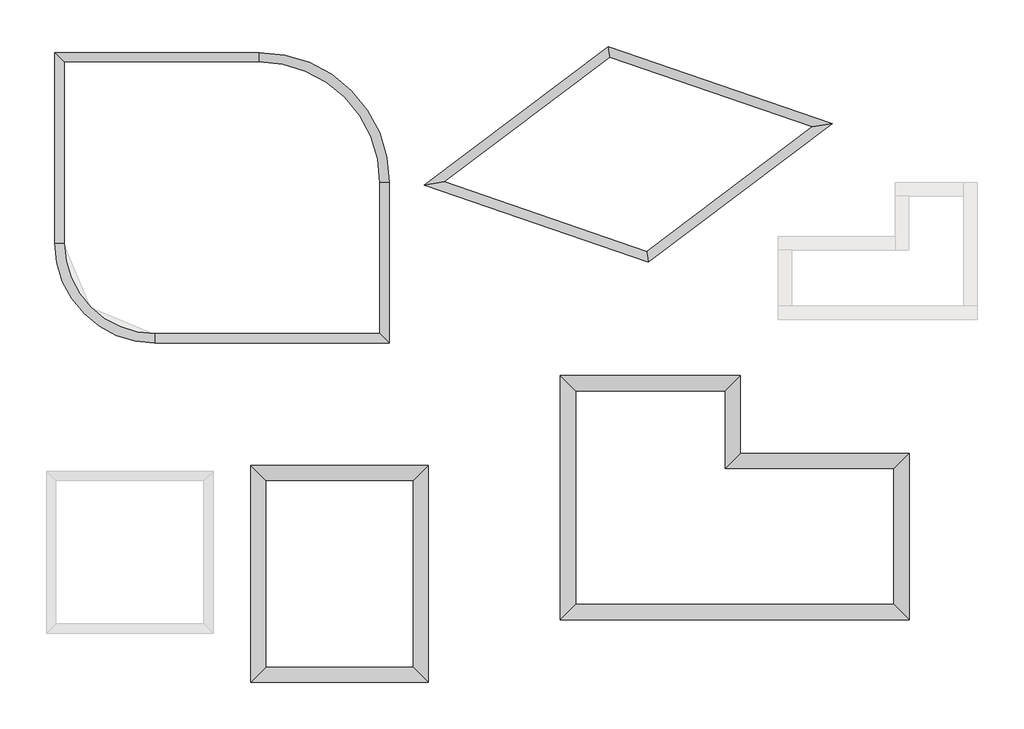
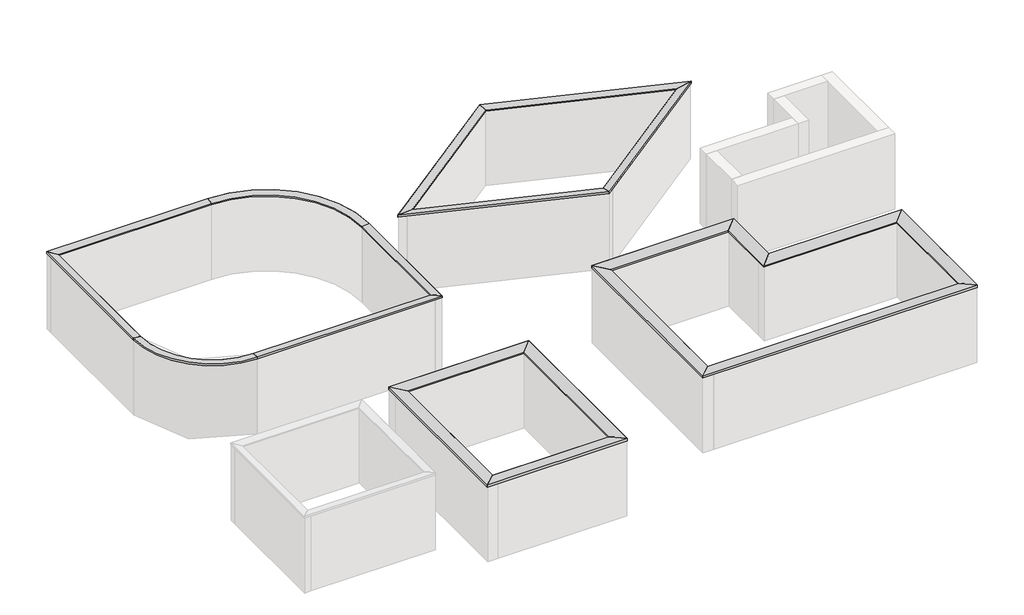
# Not in any storey, part 2 of 2: 4 proxies.
"""IFC4 building model written with IfcOpenShell, lengths in millimetres."""

from ifc_helpers import new_model, si_unit, frame, origin, place, context, project, spatial, polyline, circle_curve, faceted_brep, element, save
from ifc_brep_helpers import plane_surface, cylinder_surface, revolved_surface, advanced_brep

model = new_model("IFC4")

# Units and contexts
model_context = context("Model", 3, world=origin())
ifc_project = project(units=[si_unit("LENGTHUNIT", "METRE", prefix="MILLI")], contexts=[model_context])

# Site, building
site = spatial("IfcSite", under=ifc_project)
building = spatial("IfcBuilding", under=site)

# Proxies
placement = place(None, origin())
element("IfcBuildingElementProxy", 1, Name="attika_250", ObjectType="attika_250", at=placement, inside=building, context=model_context, shape_type="Brep", body=[
    faceted_brep([(25465.0491179, 19509.521081, 3030.1815044), (25465.0491179, 19509.521081, 2988.5646791), (25475.5682677, 19511.1871507, 2988.5646791), (25475.5682677, 19511.1871507, 3025.7387553), (26043.6023577, 19601.1549121, 3057.7174811), (26043.6023577, 19601.1549121, 2986.1848766), (26054.0924414, 19602.8163781, 2986.1848766), (26054.0924414, 19602.8163781, 3063.3429912), (19470.7553078, 21573.521962, 3030.1815044), (19421.1493184, 21886.7218528, 3063.3429912), (19421.1493184, 21886.7218528, 2986.1848766), (19422.0327356, 21881.1441763, 2986.1848766), (19422.0327356, 21881.1441763, 3057.7174811), (19469.8694429, 21579.1150931, 3025.7387553), (19469.8694429, 21579.1150931, 2988.5646791), (19470.7553078, 21573.521962, 2988.5646791)], [[[0, 1, 2, 3, 4, 5, 6, 7]], [[8, 9, 10, 11, 12, 13, 14, 15]], [[1, 0, 8, 15]], [[2, 1, 15, 14]], [[3, 2, 14, 13]], [[4, 3, 13, 12]], [[5, 4, 12, 11]], [[6, 5, 11, 10]], [[7, 6, 10, 9]], [[0, 7, 9, 8]]]),
    faceted_brep([(19470.7553078, 21573.521962, 3030.1815044), (19470.7553078, 21573.521962, 2988.5646791), (19469.8694429, 21579.1150931, 2988.5646791), (19469.8694429, 21579.1150931, 3025.7387553), (19422.0327356, 21881.1441763, 3057.7174811), (19422.0327356, 21881.1441763, 2986.1848766), (19421.1493184, 21886.7218528, 2986.1848766), (19421.1493184, 21886.7218528, 3063.3429912), (14567.3815699, 17878.5648226, 3030.1815044), (13978.3382463, 17785.2695254, 3063.3429912), (13978.3382463, 17785.2695254, 2986.1848766), (13988.82833, 17786.9309915, 2986.1848766), (13988.82833, 17786.9309915, 3057.7174811), (14556.8624201, 17876.8987529, 3025.7387553), (14556.8624201, 17876.8987529, 2988.5646791), (14567.3815699, 17878.5648226, 2988.5646791)], [[[0, 1, 2, 3, 4, 5, 6, 7]], [[8, 9, 10, 11, 12, 13, 14, 15]], [[1, 0, 8, 15]], [[2, 1, 15, 14]], [[3, 2, 14, 13]], [[4, 3, 13, 12]], [[5, 4, 12, 11]], [[6, 5, 11, 10]], [[7, 6, 10, 9]], [[0, 7, 9, 8]]]),
    faceted_brep([(14567.3815699, 17878.5648226, 3030.1815044), (14567.3815699, 17878.5648226, 2988.5646791), (14556.8624201, 17876.8987529, 2988.5646791), (14556.8624201, 17876.8987529, 3025.7387553), (13988.82833, 17786.9309915, 3057.7174811), (13988.82833, 17786.9309915, 2986.1848766), (13978.3382463, 17785.2695254, 2986.1848766), (13978.3382463, 17785.2695254, 3063.3429912), (20561.6753799, 15814.5639416, 3030.1815044), (20611.2813693, 15501.3640508, 3063.3429912), (20611.2813693, 15501.3640508, 2986.1848766), (20610.3979521, 15506.9417273, 2986.1848766), (20610.3979521, 15506.9417273, 3057.7174811), (20562.5612448, 15808.9708104, 3025.7387553), (20562.5612448, 15808.9708104, 2988.5646791), (20561.6753799, 15814.5639416, 2988.5646791)], [[[0, 1, 2, 3, 4, 5, 6, 7]], [[8, 9, 10, 11, 12, 13, 14, 15]], [[1, 0, 8, 15]], [[2, 1, 15, 14]], [[3, 2, 14, 13]], [[4, 3, 13, 12]], [[5, 4, 12, 11]], [[6, 5, 11, 10]], [[7, 6, 10, 9]], [[0, 7, 9, 8]]]),
    faceted_brep([(20561.6753799, 15814.5639416, 3030.1815044), (20561.6753799, 15814.5639416, 2988.5646791), (20562.5612448, 15808.9708104, 2988.5646791), (20562.5612448, 15808.9708104, 3025.7387553), (20610.3979521, 15506.9417273, 3057.7174811), (20610.3979521, 15506.9417273, 2986.1848766), (20611.2813693, 15501.3640508, 2986.1848766), (20611.2813693, 15501.3640508, 3063.3429912), (25465.0491179, 19509.521081, 3030.1815044), (26054.0924414, 19602.8163781, 3063.3429912), (26054.0924414, 19602.8163781, 2986.1848766), (26043.6023577, 19601.1549121, 2986.1848766), (26043.6023577, 19601.1549121, 3057.7174811), (25475.5682677, 19511.1871507, 3025.7387553), (25475.5682677, 19511.1871507, 2988.5646791), (25465.0491179, 19509.521081, 2988.5646791)], [[[0, 1, 2, 3, 4, 5, 6, 7]], [[8, 9, 10, 11, 12, 13, 14, 15]], [[1, 0, 8, 15]], [[2, 1, 15, 14]], [[3, 2, 14, 13]], [[4, 3, 13, 12]], [[5, 4, 12, 11]], [[6, 5, 11, 10]], [[7, 6, 10, 9]], [[0, 7, 9, 8]]]),
])
element("IfcBuildingElementProxy", 2, Name="attika_250", ObjectType="attika_250", at=placement, inside=building, context=model_context, shape_type="SolidModel", body=[
    faceted_brep([(12659.5461847, 13379.710362, 3030.1815044), (12659.5461847, 13379.710362, 2988.5646791), (12664.5461847, 13374.710362, 2988.5646791), (12664.5461847, 13374.710362, 3025.7387553), (12934.5461847, 13104.710362, 3057.7174811), (12934.5461847, 13104.710362, 2986.1848766), (12939.5323689, 13099.7241778, 2986.1848766), (12939.5323689, 13099.7241778, 3063.3429912), (12659.5461847, 17854.710362, 3030.1815044), (12939.5323689, 17854.710362, 3063.3429912), (12939.5323689, 17854.710362, 2986.1848766), (12934.5461847, 17854.710362, 2986.1848766), (12934.5461847, 17854.710362, 3057.7174811), (12664.5461847, 17854.710362, 3025.7387553), (12664.5461847, 17854.710362, 2988.5646791), (12659.5461847, 17854.710362, 2988.5646791)], [[[0, 1, 2, 3, 4, 5, 6, 7]], [[8, 9, 10, 11, 12, 13, 14, 15]], [[1, 0, 8, 15]], [[2, 1, 15, 14]], [[3, 2, 14, 13]], [[4, 3, 13, 12]], [[5, 4, 12, 11]], [[6, 5, 11, 10]], [[7, 6, 10, 9]], [[0, 7, 9, 8]]]),
    advanced_brep(
    [(12939.5323689, 17854.710362, 3063.3429912), (9084.5461847, 21709.6965462, 3063.3429912), (9084.5461847, 21429.710362, 3030.1815044), (12659.5461847, 17854.710362, 3030.1815044), (12939.5323689, 17854.710362, 2986.1848766), (9084.5461847, 21709.6965462, 2986.1848766), (12934.5461847, 17854.710362, 2986.1848766), (9084.5461847, 21704.710362, 2986.1848766), (12934.5461847, 17854.710362, 3057.7174811), (9084.5461847, 21704.710362, 3057.7174811), (12664.5461847, 17854.710362, 3025.7387553), (9084.5461847, 21434.710362, 3025.7387553), (12664.5461847, 17854.710362, 2988.5646791), (9084.5461847, 21434.710362, 2988.5646791), (12659.5461847, 17854.710362, 2988.5646791), (9084.5461847, 21429.710362, 2988.5646791)],
    [
        (0, 1, circle_curve(frame((9084.5461847, 17854.710362, 3063.3429912), z_axis=(0.0, 0.0, 1.0), x_axis=(0.0, 1.0, 0.0)), 3854.9861842)),
        (1, 2),
        (2, 3, circle_curve(frame((9084.5461847, 17854.710362, 3030.1815044), z_axis=(0.0, 0.0, -1.0), x_axis=(0.0, 1.0, 0.0)), 3575.0)),
        (3, 0),
        (4, 5, circle_curve(frame((9084.5461847, 17854.710362, 2986.1848766), z_axis=(0.0, 0.0, 1.0), x_axis=(0.0, 1.0, 0.0)), 3854.9861842)),
        (5, 1),
        (0, 4),
        (6, 7, circle_curve(frame((9084.5461847, 17854.710362, 2986.1848766), z_axis=(0.0, 0.0, 1.0), x_axis=(0.0, 1.0, 0.0)), 3850.0)),
        (7, 5),
        (4, 6),
        (8, 9, circle_curve(frame((9084.5461847, 17854.710362, 3057.7174811), z_axis=(0.0, 0.0, 1.0), x_axis=(0.0, 1.0, 0.0)), 3850.0)),
        (9, 7),
        (6, 8),
        (10, 11, circle_curve(frame((9084.5461847, 17854.710362, 3025.7387553), z_axis=(0.0, 0.0, 1.0), x_axis=(0.0, 1.0, 0.0)), 3580.0)),
        (11, 9),
        (8, 10),
        (12, 13, circle_curve(frame((9084.5461847, 17854.710362, 2988.5646791), z_axis=(0.0, 0.0, 1.0), x_axis=(0.0, 1.0, 0.0)), 3580.0)),
        (13, 11),
        (10, 12),
        (14, 15, circle_curve(frame((9084.5461847, 17854.710362, 2988.5646791), z_axis=(0.0, 0.0, 1.0), x_axis=(0.0, 1.0, 0.0)), 3575.0)),
        (15, 13),
        (12, 14),
        (2, 15),
        (14, 3),
    ],
    [
        revolved_surface(polyline([(9084.5461847, 21429.710362, 3030.1815044), (9084.5461847, 21709.6965462, 3063.3429912)]), (9084.5461847, 17854.710362, 3000.0), (0.0, 0.0, -1.0)),
        cylinder_surface(frame((9084.5461847, 17854.710362, 3000.0), z_axis=(0.0, 0.0, -1.0), x_axis=(0.0, 1.0, 0.0)), 3854.9861842),
        plane_surface(frame((9084.5461847, 17854.710362, 2986.1848766), z_axis=(0.0, 0.0, -1.0), x_axis=(0.0, 1.0, 0.0))),
        revolved_surface(polyline([(9084.5461847, 21704.710362, 2986.1848766), (9084.5461847, 21704.710362, 3057.7174811)]), (9084.5461847, 17854.710362, 3000.0), (0.0, 0.0, -1.0)),
        revolved_surface(polyline([(9084.5461847, 21704.710362, 3057.7174811), (9084.5461847, 21434.710362, 3025.7387553)]), (9084.5461847, 17854.710362, 3000.0), (0.0, 0.0, -1.0)),
        cylinder_surface(frame((9084.5461847, 17854.710362, 3000.0), z_axis=(0.0, 0.0, -1.0), x_axis=(0.0, 1.0, 0.0)), 3580.0),
        plane_surface(frame((9084.5461847, 17854.710362, 2988.5646791), z_axis=(0.0, 0.0, -1.0), x_axis=(0.0, 1.0, 0.0))),
        revolved_surface(polyline([(9084.5461847, 21429.710362, 2988.5646791), (9084.5461847, 21429.710362, 3030.1815044)]), (9084.5461847, 17854.710362, 3000.0), (0.0, 0.0, -1.0)),
        plane_surface(frame((12924.5461847, 17854.710362, 2695.2), z_axis=(0.0, -1.0, 0.0), x_axis=(1.0, 0.0, 0.0))),
        plane_surface(frame((9084.5461847, 21999.510362, 3000.0), z_axis=(-1.0, 0.0, 0.0), x_axis=(0.0, 0.0, 1.0))),
    ],
    [
        (0, [[1, 2, 3, 4]]),
        (1, [[5, 6, -1, 7]]),
        (2, [[8, 9, -5, 10]]),
        (3, [[11, 12, -8, 13]]),
        (4, [[14, 15, -11, 16]]),
        (5, [[17, 18, -14, 19]]),
        (6, [[20, 21, -17, 22]]),
        (7, [[-3, 23, -20, 24]]),
        (8, [[-24, -22, -19, -16, -13, -10, -7, -4]]),
        (9, [[-2, -6, -9, -12, -15, -18, -21, -23]]),
    ],
),
    faceted_brep([(3309.5461847, 21429.710362, 3030.1815044), (3029.5600005, 21709.6965462, 3063.3429912), (3029.5600005, 21709.6965462, 2986.1848766), (3034.5461847, 21704.710362, 2986.1848766), (3034.5461847, 21704.710362, 3057.7174811), (3304.5461847, 21434.710362, 3025.7387553), (3304.5461847, 21434.710362, 2988.5646791), (3309.5461847, 21429.710362, 2988.5646791), (9084.5461847, 21429.710362, 3030.1815044), (9084.5461847, 21429.710362, 2988.5646791), (9084.5461847, 21434.710362, 2988.5646791), (9084.5461847, 21434.710362, 3025.7387553), (9084.5461847, 21704.710362, 3057.7174811), (9084.5461847, 21704.710362, 2986.1848766), (9084.5461847, 21709.6965462, 2986.1848766), (9084.5461847, 21709.6965462, 3063.3429912)], [[[0, 1, 2, 3, 4, 5, 6, 7]], [[8, 9, 10, 11, 12, 13, 14, 15]], [[1, 0, 8, 15]], [[2, 1, 15, 14]], [[3, 2, 14, 13]], [[4, 3, 13, 12]], [[5, 4, 12, 11]], [[6, 5, 11, 10]], [[7, 6, 10, 9]], [[0, 7, 9, 8]]]),
    faceted_brep([(3309.5461847, 16054.710362, 3030.1815044), (3029.5600005, 16054.710362, 3063.3429912), (3029.5600005, 16054.710362, 2986.1848766), (3034.5461847, 16054.710362, 2986.1848766), (3034.5461847, 16054.710362, 3057.7174811), (3304.5461847, 16054.710362, 3025.7387553), (3304.5461847, 16054.710362, 2988.5646791), (3309.5461847, 16054.710362, 2988.5646791), (3309.5461847, 21429.710362, 3030.1815044), (3309.5461847, 21429.710362, 2988.5646791), (3304.5461847, 21434.710362, 2988.5646791), (3304.5461847, 21434.710362, 3025.7387553), (3034.5461847, 21704.710362, 3057.7174811), (3034.5461847, 21704.710362, 2986.1848766), (3029.5600005, 21709.6965462, 2986.1848766), (3029.5600005, 21709.6965462, 3063.3429912)], [[[0, 1, 2, 3, 4, 5, 6, 7]], [[8, 9, 10, 11, 12, 13, 14, 15]], [[1, 0, 8, 15]], [[2, 1, 15, 14]], [[3, 2, 14, 13]], [[4, 3, 13, 12]], [[5, 4, 12, 11]], [[6, 5, 11, 10]], [[7, 6, 10, 9]], [[0, 7, 9, 8]]]),
    advanced_brep(
    [(5984.5461847, 13379.710362, 2988.5646791), (3309.5461847, 16054.710362, 2988.5646791), (3309.5461847, 16054.710362, 3030.1815044), (5984.5461847, 13379.710362, 3030.1815044), (5984.5461847, 13374.710362, 2988.5646791), (3304.5461847, 16054.710362, 2988.5646791), (5984.5461847, 13374.710362, 3025.7387553), (3304.5461847, 16054.710362, 3025.7387553), (5984.5461847, 13104.710362, 3057.7174811), (3034.5461847, 16054.710362, 3057.7174811), (5984.5461847, 13104.710362, 2986.1848766), (3034.5461847, 16054.710362, 2986.1848766), (5984.5461847, 13099.7241778, 2986.1848766), (3029.5600005, 16054.710362, 2986.1848766), (5984.5461847, 13099.7241778, 3063.3429912), (3029.5600005, 16054.710362, 3063.3429912)],
    [
        (0, 1, circle_curve(frame((5984.5461847, 16054.710362, 2988.5646791), z_axis=(0.0, 0.0, -1.0), x_axis=(-1.0, 0.0, 0.0)), 2675.0)),
        (1, 2),
        (2, 3, circle_curve(frame((5984.5461847, 16054.710362, 3030.1815044), z_axis=(0.0, 0.0, 1.0), x_axis=(-1.0, 0.0, 0.0)), 2675.0)),
        (3, 0),
        (4, 5, circle_curve(frame((5984.5461847, 16054.710362, 2988.5646791), z_axis=(0.0, 0.0, -1.0), x_axis=(-1.0, 0.0, 0.0)), 2680.0)),
        (5, 1),
        (0, 4),
        (6, 7, circle_curve(frame((5984.5461847, 16054.710362, 3025.7387553), z_axis=(0.0, 0.0, -1.0), x_axis=(-1.0, 0.0, 0.0)), 2680.0)),
        (7, 5),
        (4, 6),
        (8, 9, circle_curve(frame((5984.5461847, 16054.710362, 3057.7174811), z_axis=(0.0, 0.0, -1.0), x_axis=(-1.0, 0.0, 0.0)), 2950.0)),
        (9, 7),
        (6, 8),
        (10, 11, circle_curve(frame((5984.5461847, 16054.710362, 2986.1848766), z_axis=(0.0, 0.0, -1.0), x_axis=(-1.0, 0.0, 0.0)), 2950.0)),
        (11, 9),
        (8, 10),
        (12, 13, circle_curve(frame((5984.5461847, 16054.710362, 2986.1848766), z_axis=(0.0, 0.0, -1.0), x_axis=(-1.0, 0.0, 0.0)), 2954.9861842)),
        (13, 11),
        (10, 12),
        (14, 15, circle_curve(frame((5984.5461847, 16054.710362, 3063.3429912), z_axis=(0.0, 0.0, -1.0), x_axis=(-1.0, 0.0, 0.0)), 2954.9861842)),
        (15, 13),
        (12, 14),
        (2, 15),
        (14, 3),
    ],
    [
        revolved_surface(polyline([(3309.5461846999997, 16054.710362, 3030.1815044), (3309.5461846999997, 16054.710362, 2988.5646791)]), (5984.5461847, 16054.710362, 3000.0), (0.0, 0.0, 1.0)),
        plane_surface(frame((5984.5461847, 16054.710362, 2988.5646791), z_axis=(0.0, 0.0, -1.0), x_axis=(-1.0, 0.0, 0.0))),
        cylinder_surface(frame((5984.5461847, 16054.710362, 3000.0), z_axis=(0.0, 0.0, 1.0), x_axis=(-1.0, 0.0, 0.0)), 2680.0),
        revolved_surface(polyline([(3304.5461847, 16054.710362, 3025.7387553), (3034.5461847, 16054.710362, 3057.7174811)]), (5984.5461847, 16054.710362, 3000.0), (0.0, 0.0, 1.0)),
        revolved_surface(polyline([(3034.5461846999997, 16054.710362, 3057.7174811), (3034.5461846999997, 16054.710362, 2986.1848766)]), (5984.5461847, 16054.710362, 3000.0), (0.0, 0.0, 1.0)),
        plane_surface(frame((5984.5461847, 16054.710362, 2986.1848766), z_axis=(0.0, 0.0, -1.0), x_axis=(-1.0, 0.0, 0.0))),
        cylinder_surface(frame((5984.5461847, 16054.710362, 3000.0), z_axis=(0.0, 0.0, 1.0), x_axis=(-1.0, 0.0, 0.0)), 2954.9861842),
        revolved_surface(polyline([(3029.5600005, 16054.710362, 3063.3429912), (3309.5461847, 16054.710362, 3030.1815044)]), (5984.5461847, 16054.710362, 3000.0), (0.0, 0.0, 1.0)),
        plane_surface(frame((3044.5461847, 16054.710362, 2695.2), z_axis=(0.0, 1.0, 0.0), x_axis=(1.0, 0.0, 0.0))),
        plane_surface(frame((5984.5461847, 13419.510362, 3000.0), z_axis=(1.0, 0.0, 0.0), x_axis=(0.0, 0.0, 1.0))),
    ],
    [
        (0, [[1, 2, 3, 4]]),
        (1, [[5, 6, -1, 7]]),
        (2, [[8, 9, -5, 10]]),
        (3, [[11, 12, -8, 13]]),
        (4, [[14, 15, -11, 16]]),
        (5, [[17, 18, -14, 19]]),
        (6, [[20, 21, -17, 22]]),
        (7, [[-3, 23, -20, 24]]),
        (8, [[-2, -6, -9, -12, -15, -18, -21, -23]]),
        (9, [[-24, -22, -19, -16, -13, -10, -7, -4]]),
    ],
),
    faceted_brep([(5984.5461847, 13379.710362, 3030.1815044), (5984.5461847, 13379.710362, 2988.5646791), (5984.5461847, 13374.710362, 2988.5646791), (5984.5461847, 13374.710362, 3025.7387553), (5984.5461847, 13104.710362, 3057.7174811), (5984.5461847, 13104.710362, 2986.1848766), (5984.5461847, 13099.7241778, 2986.1848766), (5984.5461847, 13099.7241778, 3063.3429912), (12659.5461847, 13379.710362, 3030.1815044), (12939.5323689, 13099.7241778, 3063.3429912), (12939.5323689, 13099.7241778, 2986.1848766), (12934.5461847, 13104.710362, 2986.1848766), (12934.5461847, 13104.710362, 3057.7174811), (12664.5461847, 13374.710362, 3025.7387553), (12664.5461847, 13374.710362, 2988.5646791), (12659.5461847, 13379.710362, 2988.5646791)], [[[0, 1, 2, 3, 4, 5, 6, 7]], [[8, 9, 10, 11, 12, 13, 14, 15]], [[1, 0, 8, 15]], [[2, 1, 15, 14]], [[3, 2, 14, 13]], [[4, 3, 13, 12]], [[5, 4, 12, 11]], [[6, 5, 11, 10]], [[7, 6, 10, 9]], [[0, 7, 9, 8]]]),
])
element("IfcBuildingElementProxy", 3, Name="attika_420", ObjectType="attika_420", at=placement, inside=building, context=model_context, shape_type="Brep", body=[
    faceted_brep([(18452.4848915, 5349.891992, 3030.1815044), (18452.4848915, 5349.891992, 2988.5646791), (18447.4848915, 5344.891992, 2988.5646791), (18447.4848915, 5344.891992, 3025.7387553), (18007.4848915, 4904.891992, 3077.8522344), (18007.4848915, 4904.891992, 2986.1848766), (18002.4987073, 4899.9058078, 2986.1848766), (18002.4987073, 4899.9058078, 3083.4777445), (27882.4848915, 5349.891992, 3030.1815044), (28332.4710757, 4899.9058078, 3083.4777445), (28332.4710757, 4899.9058078, 2986.1848766), (28327.4848915, 4904.891992, 2986.1848766), (28327.4848915, 4904.891992, 3077.8522344), (27887.4848915, 5344.891992, 3025.7387553), (27887.4848915, 5344.891992, 2988.5646791), (27882.4848915, 5349.891992, 2988.5646791)], [[[0, 1, 2, 3, 4, 5, 6, 7]], [[8, 9, 10, 11, 12, 13, 14, 15]], [[1, 0, 8, 15]], [[2, 1, 15, 14]], [[3, 2, 14, 13]], [[4, 3, 13, 12]], [[5, 4, 12, 11]], [[6, 5, 11, 10]], [[7, 6, 10, 9]], [[0, 7, 9, 8]]]),
    faceted_brep([(27882.4848915, 5349.891992, 3030.1815044), (27882.4848915, 5349.891992, 2988.5646791), (27887.4848915, 5344.891992, 2988.5646791), (27887.4848915, 5344.891992, 3025.7387553), (28327.4848915, 4904.891992, 3077.8522344), (28327.4848915, 4904.891992, 2986.1848766), (28332.4710757, 4899.9058078, 2986.1848766), (28332.4710757, 4899.9058078, 3083.4777445), (27882.4848915, 9379.891992, 3030.1815044), (28332.4710757, 9829.8781762, 3083.4777445), (28332.4710757, 9829.8781762, 2986.1848766), (28327.4848915, 9824.891992, 2986.1848766), (28327.4848915, 9824.891992, 3077.8522344), (27887.4848915, 9384.891992, 3025.7387553), (27887.4848915, 9384.891992, 2988.5646791), (27882.4848915, 9379.891992, 2988.5646791)], [[[0, 1, 2, 3, 4, 5, 6, 7]], [[8, 9, 10, 11, 12, 13, 14, 15]], [[1, 0, 8, 15]], [[2, 1, 15, 14]], [[3, 2, 14, 13]], [[4, 3, 13, 12]], [[5, 4, 12, 11]], [[6, 5, 11, 10]], [[7, 6, 10, 9]], [[0, 7, 9, 8]]]),
    faceted_brep([(27882.4848915, 9379.891992, 3030.1815044), (27882.4848915, 9379.891992, 2988.5646791), (27887.4848915, 9384.891992, 2988.5646791), (27887.4848915, 9384.891992, 3025.7387553), (28327.4848915, 9824.891992, 3077.8522344), (28327.4848915, 9824.891992, 2986.1848766), (28332.4710757, 9829.8781762, 2986.1848766), (28332.4710757, 9829.8781762, 3083.4777445), (22882.4848915, 9379.891992, 3030.1815044), (23332.4710757, 9829.8781762, 3083.4777445), (23332.4710757, 9829.8781762, 2986.1848766), (23327.4848915, 9824.891992, 2986.1848766), (23327.4848915, 9824.891992, 3077.8522344), (22887.4848915, 9384.891992, 3025.7387553), (22887.4848915, 9384.891992, 2988.5646791), (22882.4848915, 9379.891992, 2988.5646791)], [[[0, 1, 2, 3, 4, 5, 6, 7]], [[8, 9, 10, 11, 12, 13, 14, 15]], [[1, 0, 8, 15]], [[2, 1, 15, 14]], [[3, 2, 14, 13]], [[4, 3, 13, 12]], [[5, 4, 12, 11]], [[6, 5, 11, 10]], [[7, 6, 10, 9]], [[0, 7, 9, 8]]]),
    faceted_brep([(22882.4848915, 9379.891992, 3030.1815044), (22882.4848915, 9379.891992, 2988.5646791), (22887.4848915, 9384.891992, 2988.5646791), (22887.4848915, 9384.891992, 3025.7387553), (23327.4848915, 9824.891992, 3077.8522344), (23327.4848915, 9824.891992, 2986.1848766), (23332.4710757, 9829.8781762, 2986.1848766), (23332.4710757, 9829.8781762, 3083.4777445), (22882.4848915, 11679.891992, 3030.1815044), (23332.4710757, 12129.8781762, 3083.4777445), (23332.4710757, 12129.8781762, 2986.1848766), (23327.4848915, 12124.891992, 2986.1848766), (23327.4848915, 12124.891992, 3077.8522344), (22887.4848915, 11684.891992, 3025.7387553), (22887.4848915, 11684.891992, 2988.5646791), (22882.4848915, 11679.891992, 2988.5646791)], [[[0, 1, 2, 3, 4, 5, 6, 7]], [[8, 9, 10, 11, 12, 13, 14, 15]], [[1, 0, 8, 15]], [[2, 1, 15, 14]], [[3, 2, 14, 13]], [[4, 3, 13, 12]], [[5, 4, 12, 11]], [[6, 5, 11, 10]], [[7, 6, 10, 9]], [[0, 7, 9, 8]]]),
    faceted_brep([(22882.4848915, 11679.891992, 3030.1815044), (22882.4848915, 11679.891992, 2988.5646791), (22887.4848915, 11684.891992, 2988.5646791), (22887.4848915, 11684.891992, 3025.7387553), (23327.4848915, 12124.891992, 3077.8522344), (23327.4848915, 12124.891992, 2986.1848766), (23332.4710757, 12129.8781762, 2986.1848766), (23332.4710757, 12129.8781762, 3083.4777445), (18452.4848915, 11679.891992, 3030.1815044), (18002.4987073, 12129.8781762, 3083.4777445), (18002.4987073, 12129.8781762, 2986.1848766), (18007.4848915, 12124.891992, 2986.1848766), (18007.4848915, 12124.891992, 3077.8522344), (18447.4848915, 11684.891992, 3025.7387553), (18447.4848915, 11684.891992, 2988.5646791), (18452.4848915, 11679.891992, 2988.5646791)], [[[0, 1, 2, 3, 4, 5, 6, 7]], [[8, 9, 10, 11, 12, 13, 14, 15]], [[1, 0, 8, 15]], [[2, 1, 15, 14]], [[3, 2, 14, 13]], [[4, 3, 13, 12]], [[5, 4, 12, 11]], [[6, 5, 11, 10]], [[7, 6, 10, 9]], [[0, 7, 9, 8]]]),
    faceted_brep([(18452.4848915, 11679.891992, 3030.1815044), (18452.4848915, 11679.891992, 2988.5646791), (18447.4848915, 11684.891992, 2988.5646791), (18447.4848915, 11684.891992, 3025.7387553), (18007.4848915, 12124.891992, 3077.8522344), (18007.4848915, 12124.891992, 2986.1848766), (18002.4987073, 12129.8781762, 2986.1848766), (18002.4987073, 12129.8781762, 3083.4777445), (18452.4848915, 5349.891992, 3030.1815044), (18002.4987073, 4899.9058078, 3083.4777445), (18002.4987073, 4899.9058078, 2986.1848766), (18007.4848915, 4904.891992, 2986.1848766), (18007.4848915, 4904.891992, 3077.8522344), (18447.4848915, 5344.891992, 3025.7387553), (18447.4848915, 5344.891992, 2988.5646791), (18452.4848915, 5349.891992, 2988.5646791)], [[[0, 1, 2, 3, 4, 5, 6, 7]], [[8, 9, 10, 11, 12, 13, 14, 15]], [[1, 0, 8, 15]], [[2, 1, 15, 14]], [[3, 2, 14, 13]], [[4, 3, 13, 12]], [[5, 4, 12, 11]], [[6, 5, 11, 10]], [[7, 6, 10, 9]], [[0, 7, 9, 8]]]),
])
element("IfcBuildingElementProxy", 4, Name="attika_420", ObjectType="attika_420", at=placement, inside=building, context=model_context, shape_type="Brep", body=[
    faceted_brep([(9283.0258303, 9020.0343755, 3030.1815044), (8833.0396461, 9470.0205597, 3083.4777445), (8833.0396461, 9470.0205597, 2986.1848766), (8838.0258303, 9465.0343755, 2986.1848766), (8838.0258303, 9465.0343755, 3077.8522344), (9278.0258303, 9025.0343755, 3025.7387553), (9278.0258303, 9025.0343755, 2988.5646791), (9283.0258303, 9020.0343755, 2988.5646791), (13645.4885987, 9020.0343755, 3030.1815044), (13645.4885987, 9020.0343755, 2988.5646791), (13650.4885987, 9025.0343755, 2988.5646791), (13650.4885987, 9025.0343755, 3025.7387553), (14090.4885987, 9465.0343755, 3077.8522344), (14090.4885987, 9465.0343755, 2986.1848766), (14095.4747829, 9470.0205597, 2986.1848766), (14095.4747829, 9470.0205597, 3083.4777445)], [[[0, 1, 2, 3, 4, 5, 6, 7]], [[8, 9, 10, 11, 12, 13, 14, 15]], [[1, 0, 8, 15]], [[2, 1, 15, 14]], [[3, 2, 14, 13]], [[4, 3, 13, 12]], [[5, 4, 12, 11]], [[6, 5, 11, 10]], [[7, 6, 10, 9]], [[0, 7, 9, 8]]]),
    faceted_brep([(9283.0258303, 3490.0343755, 3030.1815044), (8833.0396461, 3040.0481913, 3083.4777445), (8833.0396461, 3040.0481913, 2986.1848766), (8838.0258303, 3045.0343755, 2986.1848766), (8838.0258303, 3045.0343755, 3077.8522344), (9278.0258303, 3485.0343755, 3025.7387553), (9278.0258303, 3485.0343755, 2988.5646791), (9283.0258303, 3490.0343755, 2988.5646791), (9283.0258303, 9020.0343755, 3030.1815044), (9283.0258303, 9020.0343755, 2988.5646791), (9278.0258303, 9025.0343755, 2988.5646791), (9278.0258303, 9025.0343755, 3025.7387553), (8838.0258303, 9465.0343755, 3077.8522344), (8838.0258303, 9465.0343755, 2986.1848766), (8833.0396461, 9470.0205597, 2986.1848766), (8833.0396461, 9470.0205597, 3083.4777445)], [[[0, 1, 2, 3, 4, 5, 6, 7]], [[8, 9, 10, 11, 12, 13, 14, 15]], [[1, 0, 8, 15]], [[2, 1, 15, 14]], [[3, 2, 14, 13]], [[4, 3, 13, 12]], [[5, 4, 12, 11]], [[6, 5, 11, 10]], [[7, 6, 10, 9]], [[0, 7, 9, 8]]]),
    faceted_brep([(13645.4885987, 3490.0343755, 3030.1815044), (14095.4747829, 3040.0481913, 3083.4777445), (14095.4747829, 3040.0481913, 2986.1848766), (14090.4885987, 3045.0343755, 2986.1848766), (14090.4885987, 3045.0343755, 3077.8522344), (13650.4885987, 3485.0343755, 3025.7387553), (13650.4885987, 3485.0343755, 2988.5646791), (13645.4885987, 3490.0343755, 2988.5646791), (9283.0258303, 3490.0343755, 3030.1815044), (9283.0258303, 3490.0343755, 2988.5646791), (9278.0258303, 3485.0343755, 2988.5646791), (9278.0258303, 3485.0343755, 3025.7387553), (8838.0258303, 3045.0343755, 3077.8522344), (8838.0258303, 3045.0343755, 2986.1848766), (8833.0396461, 3040.0481913, 2986.1848766), (8833.0396461, 3040.0481913, 3083.4777445)], [[[0, 1, 2, 3, 4, 5, 6, 7]], [[8, 9, 10, 11, 12, 13, 14, 15]], [[1, 0, 8, 15]], [[2, 1, 15, 14]], [[3, 2, 14, 13]], [[4, 3, 13, 12]], [[5, 4, 12, 11]], [[6, 5, 11, 10]], [[7, 6, 10, 9]], [[0, 7, 9, 8]]]),
    faceted_brep([(13645.4885987, 9020.0343755, 3030.1815044), (14095.4747829, 9470.0205597, 3083.4777445), (14095.4747829, 9470.0205597, 2986.1848766), (14090.4885987, 9465.0343755, 2986.1848766), (14090.4885987, 9465.0343755, 3077.8522344), (13650.4885987, 9025.0343755, 3025.7387553), (13650.4885987, 9025.0343755, 2988.5646791), (13645.4885987, 9020.0343755, 2988.5646791), (13645.4885987, 3490.0343755, 3030.1815044), (13645.4885987, 3490.0343755, 2988.5646791), (13650.4885987, 3485.0343755, 2988.5646791), (13650.4885987, 3485.0343755, 3025.7387553), (14090.4885987, 3045.0343755, 3077.8522344), (14090.4885987, 3045.0343755, 2986.1848766), (14095.4747829, 3040.0481913, 2986.1848766), (14095.4747829, 3040.0481913, 3083.4777445)], [[[0, 1, 2, 3, 4, 5, 6, 7]], [[8, 9, 10, 11, 12, 13, 14, 15]], [[1, 0, 8, 15]], [[2, 1, 15, 14]], [[3, 2, 14, 13]], [[4, 3, 13, 12]], [[5, 4, 12, 11]], [[6, 5, 11, 10]], [[7, 6, 10, 9]], [[0, 7, 9, 8]]]),
])

save(model, "model.ifc")
